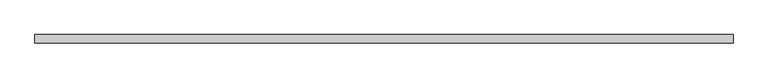
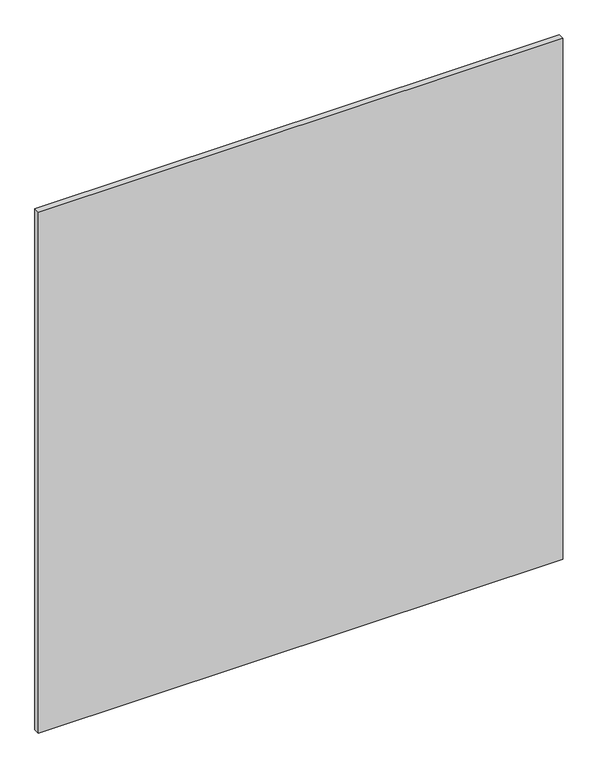
"""IFC4 building model written with IfcOpenShell, lengths in millimetres: plate geometry."""

import ifcopenshell
import ifcopenshell.guid

model = None  # the IFC model being written
_history = None  # IfcOwnerHistory: only IFC2X3 demands one
_inside = {}  # id of a spatial element -> (the spatial element, [elements in it])
_under = {}  # id of a project, library or spatial element -> (it, [spatial elements below it])
_declared = {}  # id of a project -> (the project, [libraries it declares])
_typed = {}  # id of a type object -> (the type object, [elements of that type])
_made_of = {}  # id of a material, layer set ... -> (it, [elements and type objects made of it])


def new_model(schema):
    """Start an empty IFC model of exactly this schema.

    Asked for "IFC4X3", IfcOpenShell would pick the latest addendum, in which some entities
    have other attributes; the version numbers below select the first issue.
    IFC2X3 requires an IfcOwnerHistory on every rooted entity: one is made here for all.
    """
    global model, _history
    if schema == "IFC4X3":
        model = ifcopenshell.file(schema_version=(4, 3, 0, 0))
    else:
        model = ifcopenshell.file(schema=schema)
    _inside.clear()
    _under.clear()
    _declared.clear()
    _typed.clear()
    _made_of.clear()
    _history = None
    if model.schema == "IFC2X3":
        org = make("IfcOrganization", Name="unknown")
        user = make(
            "IfcPersonAndOrganization",
            ThePerson=make("IfcPerson", FamilyName="unknown"),
            TheOrganization=org,
        )
        app = make(
            "IfcApplication",
            ApplicationDeveloper=org,
            Version="unknown",
            ApplicationFullName="unknown",
            ApplicationIdentifier="unknown",
        )
        _history = make(
            "IfcOwnerHistory",
            OwningUser=user,
            OwningApplication=app,
            ChangeAction="ADDED",
            CreationDate=0,
        )
    return model


def make(cls, **values):
    """One entity of the class cls with the attributes given. An attribute that is None is left unset."""
    return model.create_entity(
        cls, **{name: value for name, value in values.items() if value is not None}
    )


def rooted(cls, **values):
    """An entity with a GlobalId (a new one), such as an element, a storey or a relation."""
    return make(cls, GlobalId=ifcopenshell.guid.new(), OwnerHistory=_history, **values)


def si_unit(unit_type, name, prefix=None):
    """IfcSIUnit, for example si_unit("LENGTHUNIT", "METRE", prefix="MILLI")."""
    return make("IfcSIUnit", UnitType=unit_type, Prefix=prefix, Name=name)


def assignment(units):
    """IfcUnitAssignment: the units of a project."""
    return None if units is None else make("IfcUnitAssignment", Units=units)


def point(xyz):
    """IfcCartesianPoint."""
    return None if xyz is None else make("IfcCartesianPoint", Coordinates=xyz)


def direction(xyz):
    """IfcDirection."""
    return None if xyz is None else make("IfcDirection", DirectionRatios=xyz)


def frame(location, z_axis=None, x_axis=None):
    """IfcAxis2Placement3D, a coordinate frame: its origin and axes. An axis left out is left unset."""
    return make(
        "IfcAxis2Placement3D",
        Location=point(location),
        Axis=direction(z_axis),
        RefDirection=direction(x_axis),
    )


def origin():
    """The frame at (0, 0, 0) with its axes left unset."""
    return frame((0.0, 0.0, 0.0))


def origin_with_axes():
    """The frame at (0, 0, 0) with the z axis (0, 0, 1) and the x axis (1, 0, 0) written out."""
    return frame((0.0, 0.0, 0.0), z_axis=(0.0, 0.0, 1.0), x_axis=(1.0, 0.0, 0.0))


def place(relative_to, where):
    """IfcLocalPlacement: puts the frame where relative to a parent placement (None: the world)."""
    return make(
        "IfcLocalPlacement", PlacementRelTo=relative_to, RelativePlacement=where
    )


def context(
    kind, dimensions, precision=None, world=None, true_north=None, identifier=None
):
    """IfcGeometricRepresentationContext, for example the 3D "Model" context."""
    return make(
        "IfcGeometricRepresentationContext",
        ContextIdentifier=identifier,
        ContextType=kind,
        CoordinateSpaceDimension=dimensions,
        Precision=precision,
        WorldCoordinateSystem=world,
        TrueNorth=true_north,
    )


def project(units=None, contexts=None):
    """IfcProject with its units and contexts."""
    return rooted(
        "IfcProject",
        Name="project",
        RepresentationContexts=contexts,
        UnitsInContext=assignment(units),
    )


def spatial(cls, under=None, at=None, **own):
    """A site, building, storey or space (cls), placed at a placement, below another one or the project."""
    s = rooted(cls, ObjectPlacement=at, **own)
    if under is not None:
        _under.setdefault(under.id(), (under, []))[1].append(s)
    return s


def polyline(points):
    """IfcPolyline through the points."""
    return make("IfcPolyline", Points=[point(p) for p in points])


def outline(outer, holes=None, kind="AREA"):
    """IfcArbitraryClosedProfileDef: a profile drawn as a closed curve; with holes, ...WithVoids."""
    if holes is None:
        return make("IfcArbitraryClosedProfileDef", ProfileType=kind, OuterCurve=outer)
    return make(
        "IfcArbitraryProfileDefWithVoids",
        ProfileType=kind,
        OuterCurve=outer,
        InnerCurves=holes,
    )


def extrude(swept, where, along, depth):
    """IfcExtrudedAreaSolid: the profile swept, set in the frame where, extruded along a direction by depth."""
    return make(
        "IfcExtrudedAreaSolid",
        SweptArea=swept,
        Position=where,
        ExtrudedDirection=direction(along),
        Depth=depth,
    )


def shape(context_of_items, identifier, shape_type, items):
    """IfcShapeRepresentation: the items that make up one representation, for example the "Body"."""
    return make(
        "IfcShapeRepresentation",
        ContextOfItems=context_of_items,
        RepresentationIdentifier=identifier,
        RepresentationType=shape_type,
        Items=items,
    )


def source(mapping_origin, context_of_items, identifier, shape_type, items):
    """IfcRepresentationMap: a shape defined once, which mapped items show again and again."""
    return make(
        "IfcRepresentationMap",
        MappingOrigin=mapping_origin,
        MappedRepresentation=shape(context_of_items, identifier, shape_type, items),
    )


def transform(
    local_origin,
    x_axis=None,
    y_axis=None,
    z_axis=None,
    scale=None,
    scale2=None,
    scale3=None,
    uniform=True,
):
    """IfcCartesianTransformationOperator3D, or its non-uniform kind. x_axis, y_axis, z_axis: its Axis1, 2, 3."""
    if uniform:
        return make(
            "IfcCartesianTransformationOperator3D",
            Axis1=direction(x_axis),
            Axis2=direction(y_axis),
            LocalOrigin=point(local_origin),
            Scale=scale,
            Axis3=direction(z_axis),
        )
    return make(
        "IfcCartesianTransformationOperator3DnonUniform",
        Axis1=direction(x_axis),
        Axis2=direction(y_axis),
        LocalOrigin=point(local_origin),
        Scale=scale,
        Axis3=direction(z_axis),
        Scale2=scale2,
        Scale3=scale3,
    )


def mapped(mapping_source, mapping_target):
    """IfcMappedItem: shows the shape of a source again, moved by a transform."""
    return make(
        "IfcMappedItem", MappingSource=mapping_source, MappingTarget=mapping_target
    )


def made_of(thing, what):
    """Note that an element or type object is made of a material, layer set ...; save() writes the relation."""
    if what is not None:
        _made_of.setdefault(what.id(), (what, []))[1].append(thing)
    return thing


def element(
    cls,
    number,
    at=None,
    inside=None,
    cuts=None,
    type_object=None,
    material=None,
    context=None,
    identifier="Body",
    shape_type=None,
    held_by="IfcProductDefinitionShape",
    body=None,
    shapes=None,
    **own,
):
    """One element of the class cls, such as IfcWall. Its Tag is "e" and its number.

    at: its placement. inside: the storey or other place that contains it. cuts: it is an
    opening in that element (IfcRelVoidsElement). A single representation is given by context,
    identifier, shape_type and body (its items); several are given by shapes. held_by: the class
    of the entity that holds the representations. save() writes the other relations.
    """
    e = rooted(cls, Tag="e%d" % number, ObjectPlacement=at, **own)
    if body is not None:
        shapes = [shape(context, identifier, shape_type, body)]
    if shapes is not None:
        e.Representation = make(held_by, Representations=shapes)
    if inside is not None:
        _inside.setdefault(inside.id(), (inside, []))[1].append(e)
    if cuts is not None:
        rooted(
            "IfcRelVoidsElement", RelatingBuildingElement=cuts, RelatedOpeningElement=e
        )
    if type_object is not None:
        _typed.setdefault(type_object.id(), (type_object, []))[1].append(e)
    return made_of(e, material)


def aggregate(whole, parts):
    """IfcRelAggregates: a whole, such as a stair, and the parts it consists of."""
    return rooted("IfcRelAggregates", RelatingObject=whole, RelatedObjects=parts)


def save(model, path):
    """Write the relations noted so far, then the file.

    IfcRelAggregates (storeys below a building ...), IfcRelContainedInSpatialStructure (elements
    in a storey), IfcRelDefinesByType, IfcRelAssociatesMaterial and IfcRelDeclares: one each for
    every whole, place, type object, material and project.
    """
    for whole, parts in _under.values():
        aggregate(whole, parts)
    for where, things in _inside.values():
        rooted(
            "IfcRelContainedInSpatialStructure",
            RelatedElements=things,
            RelatingStructure=where,
        )
    for kind, things in _typed.values():
        rooted("IfcRelDefinesByType", RelatedObjects=things, RelatingType=kind)
    for what, things in _made_of.values():
        rooted("IfcRelAssociatesMaterial", RelatedObjects=things, RelatingMaterial=what)
    for by, libraries in _declared.values():
        rooted("IfcRelDeclares", RelatingContext=by, RelatedDefinitions=libraries)
    model.write(path)


def plate_07deec5d(model_context):
    return source(origin(), model_context, "Body", "SweptSolid", [
        extrude(outline(polyline([(616.65, 7.25), (616.65, -7.25), (-616.65, -7.25), (-616.65, 7.25), (616.65, 7.25)])), origin_with_axes(), (0.0, 0.0, 1.0), 1295.5),
    ])


if __name__ == "__main__":
    model = new_model("IFC4")
    model_context = context("Model", 3, world=origin())
    ifc_project = project(units=[si_unit("LENGTHUNIT", "METRE", prefix="MILLI")], contexts=[model_context])
    site = spatial("IfcSite", under=ifc_project)
    building = spatial("IfcBuilding", under=site)
    placement = place(None, origin())
    plate_shape = plate_07deec5d(model_context)
    element("IfcPlate", 1, at=placement, inside=building, context=model_context, shape_type="MappedRepresentation", body=[
        mapped(plate_shape, transform((0.0, 0.0, 0.0), x_axis=(1.0, 0.0, 0.0), y_axis=(0.0, 1.0, 0.0), z_axis=(0.0, 0.0, 1.0))),
    ])
    save(model, "model.ifc")
